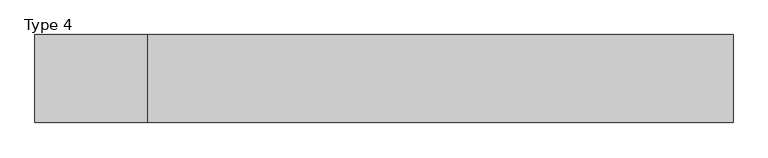
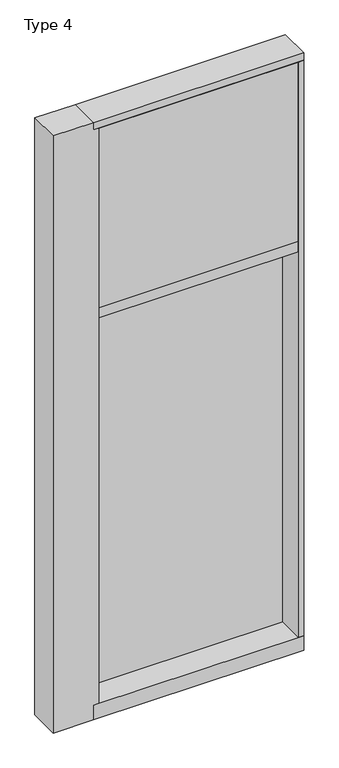
"""IFC4 building model written with IfcOpenShell, lengths in millimetres: plate geometry, Type 4."""

from ifc_helpers import new_model, si_unit, frame, origin, place, context, project, spatial, polyline, outline, extrude, faceted_brep, source, transform, mapped, element, save


def type_4_2a5fcf31(model_context):
    return source(origin(), model_context, "Body", "SolidModel", [
        faceted_brep([(-846.7854024, -155.9814, 3619.5), (-612.3219712, -155.9814, 3619.5), (-612.3219712, 27.686, 3619.5), (-846.7854024, 27.686, 3619.5), (-846.7854024, -155.9814, -57.15), (-846.7854024, 27.686, -57.15), (-612.3219712, 27.686, -57.15), (-612.3219712, -155.9814, -57.15), (-612.3219712, -155.9814, 31.75), (-580.5719712, -155.9814, 31.75), (-580.5719712, -155.9814, 3575.05), (-612.3219712, -155.9814, 3575.05), (-612.3219712, 2.286, 3575.05), (-612.3219712, 2.286, 31.75), (-580.5719712, 2.286, 3575.05), (-580.5719712, 2.286, 31.75)], [[[0, 1, 2, 3]], [[4, 5, 6, 7]], [[0, 4, 7, 8, 9, 10, 11, 1]], [[1, 11, 12, 13, 8, 7, 6, 2]], [[3, 5, 4, 0]], [[2, 6, 5, 3]], [[12, 11, 10, 14]], [[8, 13, 15, 9]], [[10, 9, 15, 14]], [[14, 15, 13, 12]]]),
        extrude(outline(polyline([(612.3219712, -155.9814), (580.5719712, -155.9814), (580.5719712, 2.286), (612.3219712, 2.286), (612.3219712, -155.9814)])), frame((0.0, 0.0, 31.75), z_axis=(0.0, 0.0, 1.0), x_axis=(1.0, 0.0, 0.0)), (0.0, 0.0, 1.0), 3543.3),
        extrude(outline(polyline([(580.5730604, -48.6409999), (580.5730604, -156.32684), (-580.5719712, -156.32684), (-580.5719712, -48.6409999), (580.5730604, -48.6409999)])), frame((0.0, 0.0, 2470.15), z_axis=(0.0, 0.0, 1.0), x_axis=(1.0, 0.0, 0.0)), (0.0, 0.0, 1.0), 1104.9984372),
        extrude(outline(polyline([(612.3219712, 27.6881517), (612.3219712, 11.2982336), (599.6230604, 11.2982336), (599.6230604, 27.6881517), (612.3219712, 27.6881517)])), frame((0.0, 0.0, 2444.75), z_axis=(0.0, 0.0, 1.0), x_axis=(1.0, 0.0, 0.0)), (0.0, 0.0, 1.0), 1149.35),
        extrude(outline(polyline([(-599.6230604, 27.6881517), (-599.6230604, 11.2982336), (-612.3219712, 11.2982336), (-612.3219712, 27.6881517), (-599.6230604, 27.6881517)])), frame((0.0, 0.0, 2444.75), z_axis=(0.0, 0.0, 1.0), x_axis=(1.0, 0.0, 0.0)), (0.0, 0.0, 1.0), 1149.35),
        extrude(outline(polyline([(599.6230604, 27.686), (599.6230604, 2.286), (-599.6230604, 2.286), (-599.6230604, 27.686), (599.6230604, 27.686)])), frame((0.0, 0.0, 2444.75), z_axis=(0.0, 0.0, 1.0), x_axis=(1.0, 0.0, 0.0)), (0.0, 0.0, 1.0), 1149.35),
        extrude(outline(polyline([(612.3219712, 27.6881517), (612.3219712, 11.2982336), (599.6230604, 11.2982336), (599.6230604, 27.6881517), (612.3219712, 27.6881517)])), frame((0.0, 0.0, 6.35), z_axis=(0.0, 0.0, 1.0), x_axis=(1.0, 0.0, 0.0)), (0.0, 0.0, 1.0), 2425.7),
        extrude(outline(polyline([(-599.6230604, 27.6881517), (-599.6230604, 11.2982336), (-612.3219712, 11.2982336), (-612.3219712, 27.6881517), (-599.6230604, 27.6881517)])), frame((0.0, 0.0, 6.35), z_axis=(0.0, 0.0, 1.0), x_axis=(1.0, 0.0, 0.0)), (0.0, 0.0, 1.0), 2425.7),
        extrude(outline(polyline([(599.6230604, 27.686), (599.6230604, 2.286), (-599.6230604, 2.286), (-599.6230604, 27.686), (599.6230604, 27.686)])), frame((0.0, 0.0, 6.35), z_axis=(0.0, 0.0, 1.0), x_axis=(1.0, 0.0, 0.0)), (0.0, 0.0, 1.0), 2425.7),
        extrude(outline(polyline([(612.3219712, 27.686), (612.3219712, 6.35), (-612.3219712, 6.35), (-612.3219712, 27.686), (612.3219712, 27.686)])), frame((0.0, 0.0, 2432.05), z_axis=(0.0, 0.0, 1.0), x_axis=(1.0, 0.0, 0.0)), (0.0, 0.0, 1.0), 12.7),
        extrude(outline(polyline([(-612.3219712, 15.9510838), (-612.3219712, 27.6859999), (612.3219712, 27.6859999), (612.3219712, 15.9510838), (-612.3219712, 15.9510838)])), frame((0.0, 0.0, 3594.7366239), z_axis=(0.0, 0.0, 1.0), x_axis=(1.0, 0.0, 0.0)), (0.0, 0.0, 1.0), 6.7161694),
        extrude(outline(polyline([(27.686, 3619.5), (27.686, 3601.4527933), (2.286, 3601.4527933), (2.286, 3575.6866239), (-155.6003929, 3575.6866239), (-155.4081413, 3619.5), (27.686, 3619.5)])), frame((-612.3219712, 0.0, 0.0), z_axis=(1.0, 0.0, 0.0), x_axis=(0.0, 1.0, 0.0)), (0.0, 0.0, 1.0), 1224.6439423),
        extrude(outline(polyline([(-612.3219712, 5.0946564), (-612.3219712, 27.6881517), (612.3219712, 27.6881517), (612.3219712, 5.0946564), (-612.3219712, 5.0946564)])), frame((0.0, 0.0, -6.2984797), z_axis=(0.0, 0.0, 1.0), x_axis=(1.0, 0.0, 0.0)), (0.0, 0.0, 1.0), 12.6484797),
        extrude(outline(polyline([(-580.5719712, -155.4734), (-580.5719712, 2.2859999), (580.5719712, 2.2859999), (580.5719712, -155.4734), (-580.5719712, -155.4734)])), frame((0.0, 0.0, 2406.65), z_axis=(0.0, 0.0, 1.0), x_axis=(1.0, 0.0, 0.0)), (0.0, 0.0, 1.0), 63.5),
        extrude(outline(polyline([(2.2859999, 31.75), (2.2859999, -6.2983857), (27.6858239, -6.2983857), (27.6858239, -57.15), (-155.6004, -57.15), (-155.6004, 31.75), (2.2859999, 31.75)])), frame((-612.3219712, 0.0, 0.0), z_axis=(1.0, 0.0, 0.0), x_axis=(0.0, 1.0, 0.0)), (0.0, 0.0, 1.0), 1224.6439423),
    ])


if __name__ == "__main__":
    model = new_model("IFC4")
    model_context = context("Model", 3, world=origin())
    ifc_project = project(units=[si_unit("LENGTHUNIT", "METRE", prefix="MILLI")], contexts=[model_context])
    site = spatial("IfcSite", under=ifc_project)
    building = spatial("IfcBuilding", under=site)
    placement = place(None, origin())
    type_4_shape = type_4_2a5fcf31(model_context)
    element("IfcPlate", 1, ObjectType="Type 4", at=placement, inside=building, context=model_context, shape_type="MappedRepresentation", body=[
        mapped(type_4_shape, transform((0.0, 0.0, 0.0), x_axis=(1.0, 0.0, 0.0), y_axis=(0.0, 1.0, 0.0), z_axis=(0.0, 0.0, 1.0))),
    ])
    save(model, "model.ifc")
